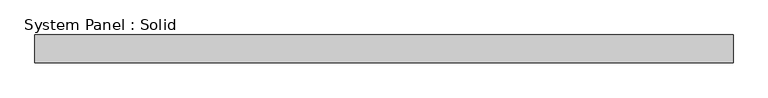
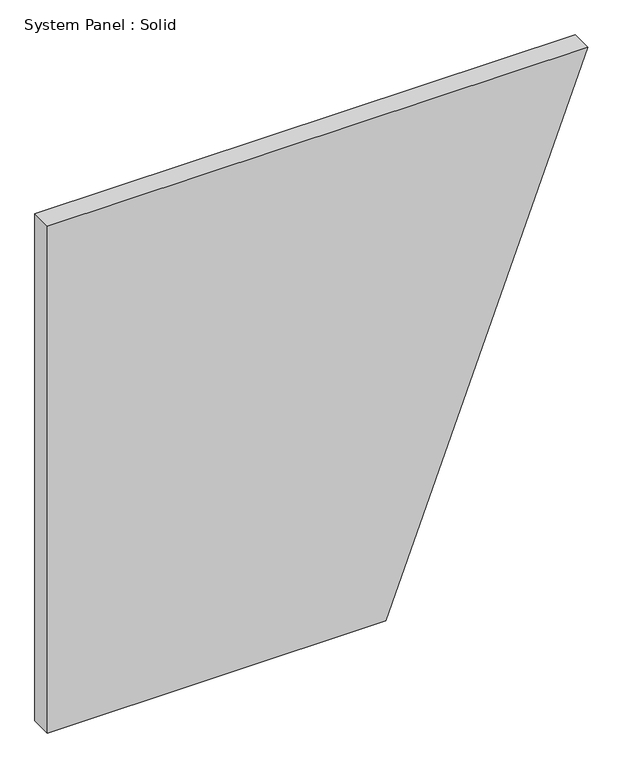
"""IFC4 building model written with IfcOpenShell, lengths in millimetres: plate geometry, System Panel : Solid."""

from ifc_helpers import new_model, si_unit, frame, origin, place, context, project, spatial, polyline, outline, extrude, source, transform, mapped, element, save


def system_panel_solid_e300484c(model_context):
    return source(origin(), model_context, "Body", "SweptSolid", [
        extrude(outline(polyline([(0.0, -756.2933404), (0.0, 191.2193574), (1500.0, 756.2933404), (1500.0, -756.2933404), (0.0, -756.2933404)])), frame((0.0, -10.5, 0.0), z_axis=(0.0, 1.0, 0.0), x_axis=(0.0, 0.0, 1.0)), (0.0, 0.0, 1.0), 60.0),
    ])


if __name__ == "__main__":
    model = new_model("IFC4")
    model_context = context("Model", 3, world=origin())
    ifc_project = project(units=[si_unit("LENGTHUNIT", "METRE", prefix="MILLI")], contexts=[model_context])
    site = spatial("IfcSite", under=ifc_project)
    building = spatial("IfcBuilding", under=site)
    placement = place(None, origin())
    system_panel_solid_shape = system_panel_solid_e300484c(model_context)
    element("IfcPlate", 1, ObjectType="System Panel : Solid", at=placement, inside=building, context=model_context, shape_type="MappedRepresentation", body=[
        mapped(system_panel_solid_shape, transform((0.0, 0.0, 0.0), x_axis=(1.0, 0.0, 0.0), y_axis=(0.0, 1.0, 0.0), z_axis=(0.0, 0.0, 1.0))),
    ])
    save(model, "model.ifc")
